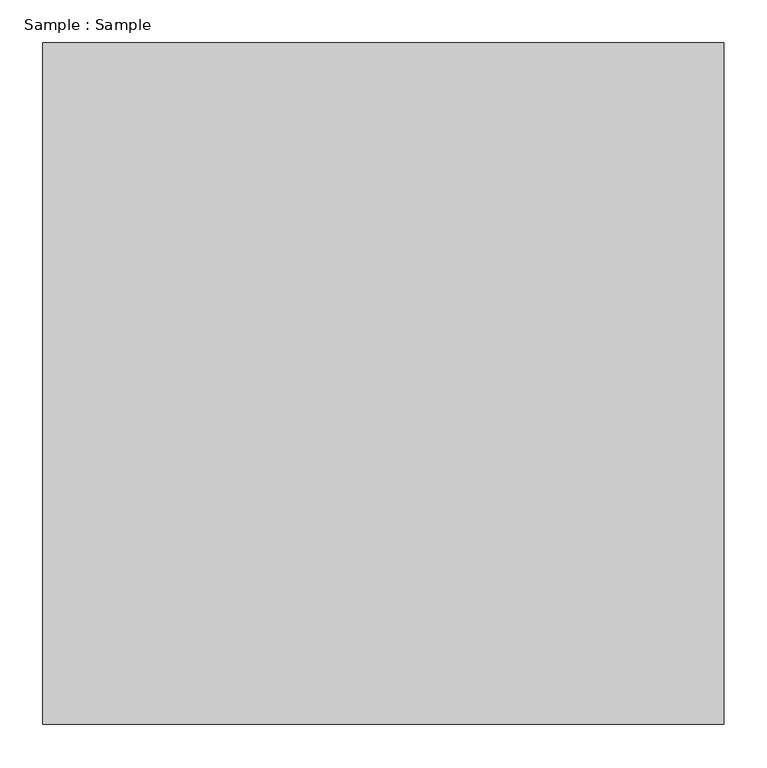
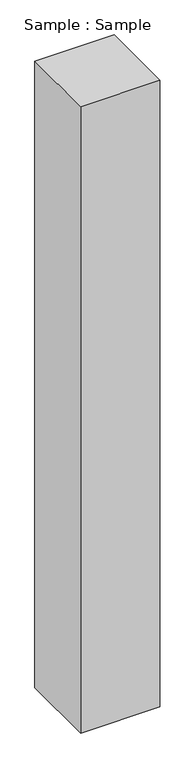
"""IFC4 building model written with IfcOpenShell, lengths in millimetres: proxy geometry, Sample : Sample."""

from ifc_helpers import new_model, si_unit, origin, origin_with_axes, place, context, project, spatial, polyline, outline, extrude, source, transform, mapped, element, save


def sample_sample_79e8dec3(model_context):
    return source(origin(), model_context, "Body", "SweptSolid", [
        extrude(outline(polyline([(400.0, 400.0), (400.0, -400.0), (-400.0, -400.0), (-400.0, 400.0), (400.0, 400.0)])), origin_with_axes(), (0.0, 0.0, 1.0), 6689.6551724),
    ])


if __name__ == "__main__":
    model = new_model("IFC4")
    model_context = context("Model", 3, world=origin())
    ifc_project = project(units=[si_unit("LENGTHUNIT", "METRE", prefix="MILLI")], contexts=[model_context])
    site = spatial("IfcSite", under=ifc_project)
    building = spatial("IfcBuilding", under=site)
    placement = place(None, origin())
    sample_sample_shape = sample_sample_79e8dec3(model_context)
    element("IfcBuildingElementProxy", 1, Name="Sample : Sample", ObjectType="Sample : Sample", at=placement, inside=building, context=model_context, shape_type="MappedRepresentation", body=[
        mapped(sample_sample_shape, transform((0.0, 0.0, 0.0), x_axis=(1.0, 0.0, 0.0), y_axis=(0.0, 1.0, 0.0), z_axis=(0.0, 0.0, 1.0))),
    ])
    save(model, "model.ifc")
